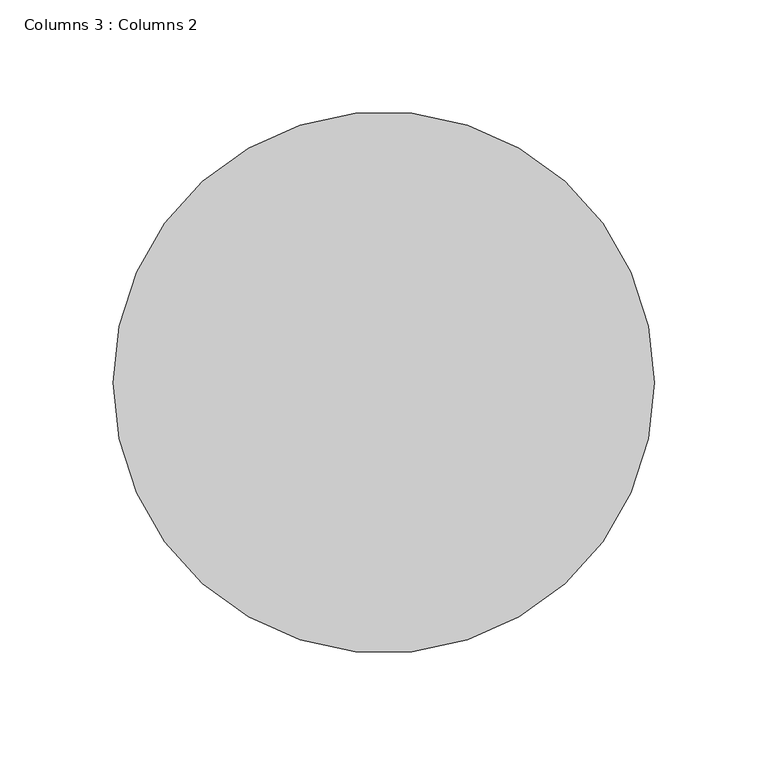
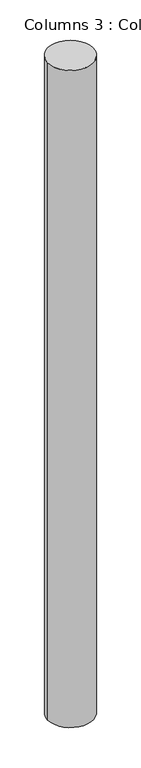
"""IFC4 building model written with IfcOpenShell, lengths in millimetres: column geometry, Columns 3 : Columns 2."""

import ifcopenshell
import ifcopenshell.guid

model = None  # the IFC model being written
_history = None  # IfcOwnerHistory: only IFC2X3 demands one
_inside = {}  # id of a spatial element -> (the spatial element, [elements in it])
_under = {}  # id of a project, library or spatial element -> (it, [spatial elements below it])
_declared = {}  # id of a project -> (the project, [libraries it declares])
_typed = {}  # id of a type object -> (the type object, [elements of that type])
_made_of = {}  # id of a material, layer set ... -> (it, [elements and type objects made of it])


def new_model(schema):
    """Start an empty IFC model of exactly this schema.

    Asked for "IFC4X3", IfcOpenShell would pick the latest addendum, in which some entities
    have other attributes; the version numbers below select the first issue.
    IFC2X3 requires an IfcOwnerHistory on every rooted entity: one is made here for all.
    """
    global model, _history
    if schema == "IFC4X3":
        model = ifcopenshell.file(schema_version=(4, 3, 0, 0))
    else:
        model = ifcopenshell.file(schema=schema)
    _inside.clear()
    _under.clear()
    _declared.clear()
    _typed.clear()
    _made_of.clear()
    _history = None
    if model.schema == "IFC2X3":
        org = make("IfcOrganization", Name="unknown")
        user = make(
            "IfcPersonAndOrganization",
            ThePerson=make("IfcPerson", FamilyName="unknown"),
            TheOrganization=org,
        )
        app = make(
            "IfcApplication",
            ApplicationDeveloper=org,
            Version="unknown",
            ApplicationFullName="unknown",
            ApplicationIdentifier="unknown",
        )
        _history = make(
            "IfcOwnerHistory",
            OwningUser=user,
            OwningApplication=app,
            ChangeAction="ADDED",
            CreationDate=0,
        )
    return model


def make(cls, **values):
    """One entity of the class cls with the attributes given. An attribute that is None is left unset."""
    return model.create_entity(
        cls, **{name: value for name, value in values.items() if value is not None}
    )


def rooted(cls, **values):
    """An entity with a GlobalId (a new one), such as an element, a storey or a relation."""
    return make(cls, GlobalId=ifcopenshell.guid.new(), OwnerHistory=_history, **values)


def si_unit(unit_type, name, prefix=None):
    """IfcSIUnit, for example si_unit("LENGTHUNIT", "METRE", prefix="MILLI")."""
    return make("IfcSIUnit", UnitType=unit_type, Prefix=prefix, Name=name)


def assignment(units):
    """IfcUnitAssignment: the units of a project."""
    return None if units is None else make("IfcUnitAssignment", Units=units)


def point(xyz):
    """IfcCartesianPoint."""
    return None if xyz is None else make("IfcCartesianPoint", Coordinates=xyz)


def direction(xyz):
    """IfcDirection."""
    return None if xyz is None else make("IfcDirection", DirectionRatios=xyz)


def frame(location, z_axis=None, x_axis=None):
    """IfcAxis2Placement3D, a coordinate frame: its origin and axes. An axis left out is left unset."""
    return make(
        "IfcAxis2Placement3D",
        Location=point(location),
        Axis=direction(z_axis),
        RefDirection=direction(x_axis),
    )


def frame_2d(location, x_axis=None):
    """IfcAxis2Placement2D, a coordinate frame in the plane: its origin and x axis."""
    return make(
        "IfcAxis2Placement2D", Location=point(location), RefDirection=direction(x_axis)
    )


def origin():
    """The frame at (0, 0, 0) with its axes left unset."""
    return frame((0.0, 0.0, 0.0))


def origin_with_axes():
    """The frame at (0, 0, 0) with the z axis (0, 0, 1) and the x axis (1, 0, 0) written out."""
    return frame((0.0, 0.0, 0.0), z_axis=(0.0, 0.0, 1.0), x_axis=(1.0, 0.0, 0.0))


def place(relative_to, where):
    """IfcLocalPlacement: puts the frame where relative to a parent placement (None: the world)."""
    return make(
        "IfcLocalPlacement", PlacementRelTo=relative_to, RelativePlacement=where
    )


def context(
    kind, dimensions, precision=None, world=None, true_north=None, identifier=None
):
    """IfcGeometricRepresentationContext, for example the 3D "Model" context."""
    return make(
        "IfcGeometricRepresentationContext",
        ContextIdentifier=identifier,
        ContextType=kind,
        CoordinateSpaceDimension=dimensions,
        Precision=precision,
        WorldCoordinateSystem=world,
        TrueNorth=true_north,
    )


def project(units=None, contexts=None):
    """IfcProject with its units and contexts."""
    return rooted(
        "IfcProject",
        Name="project",
        RepresentationContexts=contexts,
        UnitsInContext=assignment(units),
    )


def spatial(cls, under=None, at=None, **own):
    """A site, building, storey or space (cls), placed at a placement, below another one or the project."""
    s = rooted(cls, ObjectPlacement=at, **own)
    if under is not None:
        _under.setdefault(under.id(), (under, []))[1].append(s)
    return s


def circle_curve(where, radius):
    """IfcCircle in the frame where."""
    return make("IfcCircle", Position=where, Radius=radius)


def trimmed(basis, trim1, trim2, sense, master):
    """IfcTrimmedCurve: the piece of a basis curve between two trims."""
    return make(
        "IfcTrimmedCurve",
        BasisCurve=basis,
        Trim1=trim1,
        Trim2=trim2,
        SenseAgreement=sense,
        MasterRepresentation=master,
    )


def segment(curve, same_sense, transition):
    """IfcCompositeCurveSegment."""
    return make(
        "IfcCompositeCurveSegment",
        Transition=transition,
        SameSense=same_sense,
        ParentCurve=curve,
    )


def composite_curve(segments, self_intersect=None):
    """IfcCompositeCurve: segments joined end to end."""
    return make("IfcCompositeCurve", Segments=segments, SelfIntersect=self_intersect)


def outline(outer, holes=None, kind="AREA"):
    """IfcArbitraryClosedProfileDef: a profile drawn as a closed curve; with holes, ...WithVoids."""
    if holes is None:
        return make("IfcArbitraryClosedProfileDef", ProfileType=kind, OuterCurve=outer)
    return make(
        "IfcArbitraryProfileDefWithVoids",
        ProfileType=kind,
        OuterCurve=outer,
        InnerCurves=holes,
    )


def extrude(swept, where, along, depth):
    """IfcExtrudedAreaSolid: the profile swept, set in the frame where, extruded along a direction by depth."""
    return make(
        "IfcExtrudedAreaSolid",
        SweptArea=swept,
        Position=where,
        ExtrudedDirection=direction(along),
        Depth=depth,
    )


def shape(context_of_items, identifier, shape_type, items):
    """IfcShapeRepresentation: the items that make up one representation, for example the "Body"."""
    return make(
        "IfcShapeRepresentation",
        ContextOfItems=context_of_items,
        RepresentationIdentifier=identifier,
        RepresentationType=shape_type,
        Items=items,
    )


def source(mapping_origin, context_of_items, identifier, shape_type, items):
    """IfcRepresentationMap: a shape defined once, which mapped items show again and again."""
    return make(
        "IfcRepresentationMap",
        MappingOrigin=mapping_origin,
        MappedRepresentation=shape(context_of_items, identifier, shape_type, items),
    )


def transform(
    local_origin,
    x_axis=None,
    y_axis=None,
    z_axis=None,
    scale=None,
    scale2=None,
    scale3=None,
    uniform=True,
):
    """IfcCartesianTransformationOperator3D, or its non-uniform kind. x_axis, y_axis, z_axis: its Axis1, 2, 3."""
    if uniform:
        return make(
            "IfcCartesianTransformationOperator3D",
            Axis1=direction(x_axis),
            Axis2=direction(y_axis),
            LocalOrigin=point(local_origin),
            Scale=scale,
            Axis3=direction(z_axis),
        )
    return make(
        "IfcCartesianTransformationOperator3DnonUniform",
        Axis1=direction(x_axis),
        Axis2=direction(y_axis),
        LocalOrigin=point(local_origin),
        Scale=scale,
        Axis3=direction(z_axis),
        Scale2=scale2,
        Scale3=scale3,
    )


def mapped(mapping_source, mapping_target):
    """IfcMappedItem: shows the shape of a source again, moved by a transform."""
    return make(
        "IfcMappedItem", MappingSource=mapping_source, MappingTarget=mapping_target
    )


def made_of(thing, what):
    """Note that an element or type object is made of a material, layer set ...; save() writes the relation."""
    if what is not None:
        _made_of.setdefault(what.id(), (what, []))[1].append(thing)
    return thing


def element(
    cls,
    number,
    at=None,
    inside=None,
    cuts=None,
    type_object=None,
    material=None,
    context=None,
    identifier="Body",
    shape_type=None,
    held_by="IfcProductDefinitionShape",
    body=None,
    shapes=None,
    **own,
):
    """One element of the class cls, such as IfcWall. Its Tag is "e" and its number.

    at: its placement. inside: the storey or other place that contains it. cuts: it is an
    opening in that element (IfcRelVoidsElement). A single representation is given by context,
    identifier, shape_type and body (its items); several are given by shapes. held_by: the class
    of the entity that holds the representations. save() writes the other relations.
    """
    e = rooted(cls, Tag="e%d" % number, ObjectPlacement=at, **own)
    if body is not None:
        shapes = [shape(context, identifier, shape_type, body)]
    if shapes is not None:
        e.Representation = make(held_by, Representations=shapes)
    if inside is not None:
        _inside.setdefault(inside.id(), (inside, []))[1].append(e)
    if cuts is not None:
        rooted(
            "IfcRelVoidsElement", RelatingBuildingElement=cuts, RelatedOpeningElement=e
        )
    if type_object is not None:
        _typed.setdefault(type_object.id(), (type_object, []))[1].append(e)
    return made_of(e, material)


def aggregate(whole, parts):
    """IfcRelAggregates: a whole, such as a stair, and the parts it consists of."""
    return rooted("IfcRelAggregates", RelatingObject=whole, RelatedObjects=parts)


def save(model, path):
    """Write the relations noted so far, then the file.

    IfcRelAggregates (storeys below a building ...), IfcRelContainedInSpatialStructure (elements
    in a storey), IfcRelDefinesByType, IfcRelAssociatesMaterial and IfcRelDeclares: one each for
    every whole, place, type object, material and project.
    """
    for whole, parts in _under.values():
        aggregate(whole, parts)
    for where, things in _inside.values():
        rooted(
            "IfcRelContainedInSpatialStructure",
            RelatedElements=things,
            RelatingStructure=where,
        )
    for kind, things in _typed.values():
        rooted("IfcRelDefinesByType", RelatedObjects=things, RelatingType=kind)
    for what, things in _made_of.values():
        rooted("IfcRelAssociatesMaterial", RelatedObjects=things, RelatingMaterial=what)
    for by, libraries in _declared.values():
        rooted("IfcRelDeclares", RelatingContext=by, RelatedDefinitions=libraries)
    model.write(path)


def columns_3_columns_2_4f479a7f(model_context):
    return source(origin(), model_context, "Body", "SweptSolid", [
        extrude(outline(composite_curve([segment(trimmed(circle_curve(frame_2d((-154974.7912936, -81987.6140386)), 119.4702166), [point((-155094.2615102, -81987.6140386))], [point((-154855.3210769, -81987.6140386))], False, "CARTESIAN"), True, "CONTINUOUS"), segment(trimmed(circle_curve(frame_2d((-154974.7912936, -81987.6140386)), 119.4702166), [point((-154855.3210769, -81987.6140386))], [point((-155094.2615102, -81987.6140386))], False, "CARTESIAN"), True, "CONTINUOUS")], self_intersect=False)), origin_with_axes(), (0.0, 0.0, 1.0), 3657.6),
    ])


if __name__ == "__main__":
    model = new_model("IFC4")
    model_context = context("Model", 3, world=origin())
    ifc_project = project(units=[si_unit("LENGTHUNIT", "METRE", prefix="MILLI")], contexts=[model_context])
    site = spatial("IfcSite", under=ifc_project)
    building = spatial("IfcBuilding", under=site)
    placement = place(None, origin())
    columns_3_columns_2_shape = columns_3_columns_2_4f479a7f(model_context)
    element("IfcColumn", 1, ObjectType="Columns 3 : Columns 2", at=placement, inside=building, context=model_context, shape_type="MappedRepresentation", body=[
        mapped(columns_3_columns_2_shape, transform((0.0, 0.0, 0.0), x_axis=(1.0, 0.0, 0.0), y_axis=(0.0, 1.0, 0.0), z_axis=(0.0, 0.0, 1.0))),
    ])
    save(model, "model.ifc")
